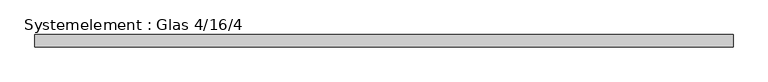
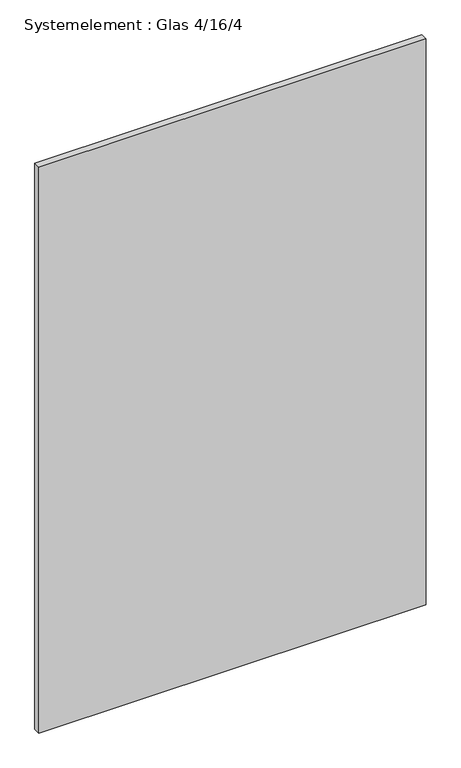
"""IFC4 building model written with IfcOpenShell, lengths in millimetres: plate geometry, Systemelement : Glas 4/16/4."""

from ifc_helpers import new_model, si_unit, origin, origin_with_axes, place, context, project, spatial, polyline, outline, extrude, source, transform, mapped, element, save


def systemelement_glas_4_16_4_aaff5b6d(model_context):
    return source(origin(), model_context, "Body", "SweptSolid", [
        extrude(outline(polyline([(680.0000001, -12.0), (-680.0000001, -12.0), (-680.0000001, 12.0), (680.0000001, 12.0), (680.0000001, -12.0)])), origin_with_axes(), (0.0, 0.0, 1.0), 2100.0),
    ])


if __name__ == "__main__":
    model = new_model("IFC4")
    model_context = context("Model", 3, world=origin())
    ifc_project = project(units=[si_unit("LENGTHUNIT", "METRE", prefix="MILLI")], contexts=[model_context])
    site = spatial("IfcSite", under=ifc_project)
    building = spatial("IfcBuilding", under=site)
    placement = place(None, origin())
    systemelement_glas_4_16_4_shape = systemelement_glas_4_16_4_aaff5b6d(model_context)
    element("IfcPlate", 1, ObjectType="Systemelement : Glas 4/16/4", at=placement, inside=building, context=model_context, shape_type="MappedRepresentation", body=[
        mapped(systemelement_glas_4_16_4_shape, transform((0.0, 0.0, 0.0), x_axis=(1.0, 0.0, 0.0), y_axis=(0.0, 1.0, 0.0), z_axis=(0.0, 0.0, 1.0))),
    ])
    save(model, "model.ifc")
